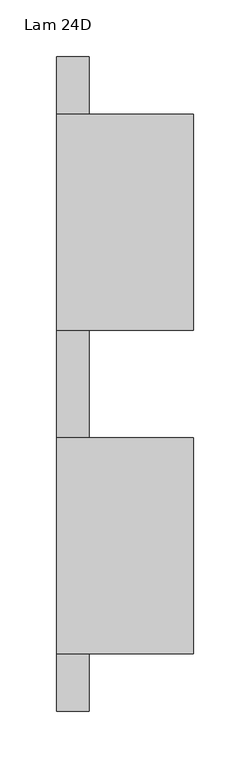
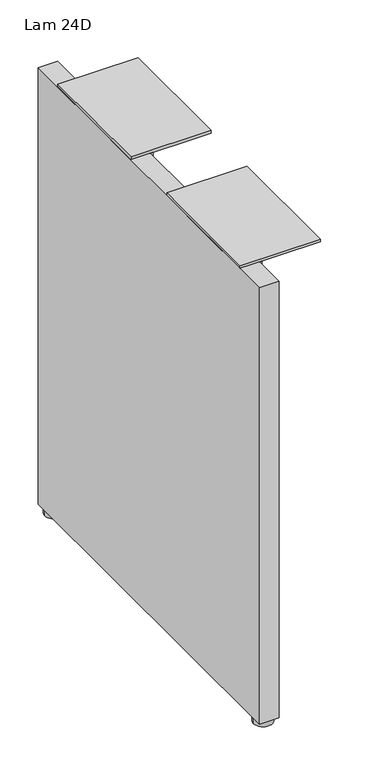
"""IFC4 building model written with IfcOpenShell, lengths in millimetres: furniture geometry, Lam 24D."""

import ifcopenshell
import ifcopenshell.guid

model = None  # the IFC model being written
_history = None  # IfcOwnerHistory: only IFC2X3 demands one
_inside = {}  # id of a spatial element -> (the spatial element, [elements in it])
_under = {}  # id of a project, library or spatial element -> (it, [spatial elements below it])
_declared = {}  # id of a project -> (the project, [libraries it declares])
_typed = {}  # id of a type object -> (the type object, [elements of that type])
_made_of = {}  # id of a material, layer set ... -> (it, [elements and type objects made of it])


def new_model(schema):
    """Start an empty IFC model of exactly this schema.

    Asked for "IFC4X3", IfcOpenShell would pick the latest addendum, in which some entities
    have other attributes; the version numbers below select the first issue.
    IFC2X3 requires an IfcOwnerHistory on every rooted entity: one is made here for all.
    """
    global model, _history
    if schema == "IFC4X3":
        model = ifcopenshell.file(schema_version=(4, 3, 0, 0))
    else:
        model = ifcopenshell.file(schema=schema)
    _inside.clear()
    _under.clear()
    _declared.clear()
    _typed.clear()
    _made_of.clear()
    _history = None
    if model.schema == "IFC2X3":
        org = make("IfcOrganization", Name="unknown")
        user = make(
            "IfcPersonAndOrganization",
            ThePerson=make("IfcPerson", FamilyName="unknown"),
            TheOrganization=org,
        )
        app = make(
            "IfcApplication",
            ApplicationDeveloper=org,
            Version="unknown",
            ApplicationFullName="unknown",
            ApplicationIdentifier="unknown",
        )
        _history = make(
            "IfcOwnerHistory",
            OwningUser=user,
            OwningApplication=app,
            ChangeAction="ADDED",
            CreationDate=0,
        )
    return model


def make(cls, **values):
    """One entity of the class cls with the attributes given. An attribute that is None is left unset."""
    return model.create_entity(
        cls, **{name: value for name, value in values.items() if value is not None}
    )


def rooted(cls, **values):
    """An entity with a GlobalId (a new one), such as an element, a storey or a relation."""
    return make(cls, GlobalId=ifcopenshell.guid.new(), OwnerHistory=_history, **values)


def si_unit(unit_type, name, prefix=None):
    """IfcSIUnit, for example si_unit("LENGTHUNIT", "METRE", prefix="MILLI")."""
    return make("IfcSIUnit", UnitType=unit_type, Prefix=prefix, Name=name)


def assignment(units):
    """IfcUnitAssignment: the units of a project."""
    return None if units is None else make("IfcUnitAssignment", Units=units)


def point(xyz):
    """IfcCartesianPoint."""
    return None if xyz is None else make("IfcCartesianPoint", Coordinates=xyz)


def direction(xyz):
    """IfcDirection."""
    return None if xyz is None else make("IfcDirection", DirectionRatios=xyz)


def frame(location, z_axis=None, x_axis=None):
    """IfcAxis2Placement3D, a coordinate frame: its origin and axes. An axis left out is left unset."""
    return make(
        "IfcAxis2Placement3D",
        Location=point(location),
        Axis=direction(z_axis),
        RefDirection=direction(x_axis),
    )


def origin():
    """The frame at (0, 0, 0) with its axes left unset."""
    return frame((0.0, 0.0, 0.0))


def place(relative_to, where):
    """IfcLocalPlacement: puts the frame where relative to a parent placement (None: the world)."""
    return make(
        "IfcLocalPlacement", PlacementRelTo=relative_to, RelativePlacement=where
    )


def context(
    kind, dimensions, precision=None, world=None, true_north=None, identifier=None
):
    """IfcGeometricRepresentationContext, for example the 3D "Model" context."""
    return make(
        "IfcGeometricRepresentationContext",
        ContextIdentifier=identifier,
        ContextType=kind,
        CoordinateSpaceDimension=dimensions,
        Precision=precision,
        WorldCoordinateSystem=world,
        TrueNorth=true_north,
    )


def project(units=None, contexts=None):
    """IfcProject with its units and contexts."""
    return rooted(
        "IfcProject",
        Name="project",
        RepresentationContexts=contexts,
        UnitsInContext=assignment(units),
    )


def spatial(cls, under=None, at=None, **own):
    """A site, building, storey or space (cls), placed at a placement, below another one or the project."""
    s = rooted(cls, ObjectPlacement=at, **own)
    if under is not None:
        _under.setdefault(under.id(), (under, []))[1].append(s)
    return s


def polyline(points):
    """IfcPolyline through the points."""
    return make("IfcPolyline", Points=[point(p) for p in points])


def circle_curve(where, radius):
    """IfcCircle in the frame where."""
    return make("IfcCircle", Position=where, Radius=radius)


def outline(outer, holes=None, kind="AREA"):
    """IfcArbitraryClosedProfileDef: a profile drawn as a closed curve; with holes, ...WithVoids."""
    if holes is None:
        return make("IfcArbitraryClosedProfileDef", ProfileType=kind, OuterCurve=outer)
    return make(
        "IfcArbitraryProfileDefWithVoids",
        ProfileType=kind,
        OuterCurve=outer,
        InnerCurves=holes,
    )


def extrude(swept, where, along, depth):
    """IfcExtrudedAreaSolid: the profile swept, set in the frame where, extruded along a direction by depth."""
    return make(
        "IfcExtrudedAreaSolid",
        SweptArea=swept,
        Position=where,
        ExtrudedDirection=direction(along),
        Depth=depth,
    )


def shape(context_of_items, identifier, shape_type, items):
    """IfcShapeRepresentation: the items that make up one representation, for example the "Body"."""
    return make(
        "IfcShapeRepresentation",
        ContextOfItems=context_of_items,
        RepresentationIdentifier=identifier,
        RepresentationType=shape_type,
        Items=items,
    )


def source(mapping_origin, context_of_items, identifier, shape_type, items):
    """IfcRepresentationMap: a shape defined once, which mapped items show again and again."""
    return make(
        "IfcRepresentationMap",
        MappingOrigin=mapping_origin,
        MappedRepresentation=shape(context_of_items, identifier, shape_type, items),
    )


def transform(
    local_origin,
    x_axis=None,
    y_axis=None,
    z_axis=None,
    scale=None,
    scale2=None,
    scale3=None,
    uniform=True,
):
    """IfcCartesianTransformationOperator3D, or its non-uniform kind. x_axis, y_axis, z_axis: its Axis1, 2, 3."""
    if uniform:
        return make(
            "IfcCartesianTransformationOperator3D",
            Axis1=direction(x_axis),
            Axis2=direction(y_axis),
            LocalOrigin=point(local_origin),
            Scale=scale,
            Axis3=direction(z_axis),
        )
    return make(
        "IfcCartesianTransformationOperator3DnonUniform",
        Axis1=direction(x_axis),
        Axis2=direction(y_axis),
        LocalOrigin=point(local_origin),
        Scale=scale,
        Axis3=direction(z_axis),
        Scale2=scale2,
        Scale3=scale3,
    )


def mapped(mapping_source, mapping_target):
    """IfcMappedItem: shows the shape of a source again, moved by a transform."""
    return make(
        "IfcMappedItem", MappingSource=mapping_source, MappingTarget=mapping_target
    )


def made_of(thing, what):
    """Note that an element or type object is made of a material, layer set ...; save() writes the relation."""
    if what is not None:
        _made_of.setdefault(what.id(), (what, []))[1].append(thing)
    return thing


def element(
    cls,
    number,
    at=None,
    inside=None,
    cuts=None,
    type_object=None,
    material=None,
    context=None,
    identifier="Body",
    shape_type=None,
    held_by="IfcProductDefinitionShape",
    body=None,
    shapes=None,
    **own,
):
    """One element of the class cls, such as IfcWall. Its Tag is "e" and its number.

    at: its placement. inside: the storey or other place that contains it. cuts: it is an
    opening in that element (IfcRelVoidsElement). A single representation is given by context,
    identifier, shape_type and body (its items); several are given by shapes. held_by: the class
    of the entity that holds the representations. save() writes the other relations.
    """
    e = rooted(cls, Tag="e%d" % number, ObjectPlacement=at, **own)
    if body is not None:
        shapes = [shape(context, identifier, shape_type, body)]
    if shapes is not None:
        e.Representation = make(held_by, Representations=shapes)
    if inside is not None:
        _inside.setdefault(inside.id(), (inside, []))[1].append(e)
    if cuts is not None:
        rooted(
            "IfcRelVoidsElement", RelatingBuildingElement=cuts, RelatedOpeningElement=e
        )
    if type_object is not None:
        _typed.setdefault(type_object.id(), (type_object, []))[1].append(e)
    return made_of(e, material)


def aggregate(whole, parts):
    """IfcRelAggregates: a whole, such as a stair, and the parts it consists of."""
    return rooted("IfcRelAggregates", RelatingObject=whole, RelatedObjects=parts)


def save(model, path):
    """Write the relations noted so far, then the file.

    IfcRelAggregates (storeys below a building ...), IfcRelContainedInSpatialStructure (elements
    in a storey), IfcRelDefinesByType, IfcRelAssociatesMaterial and IfcRelDeclares: one each for
    every whole, place, type object, material and project.
    """
    for whole, parts in _under.values():
        aggregate(whole, parts)
    for where, things in _inside.values():
        rooted(
            "IfcRelContainedInSpatialStructure",
            RelatedElements=things,
            RelatingStructure=where,
        )
    for kind, things in _typed.values():
        rooted("IfcRelDefinesByType", RelatedObjects=things, RelatingType=kind)
    for what, things in _made_of.values():
        rooted("IfcRelAssociatesMaterial", RelatedObjects=things, RelatingMaterial=what)
    for by, libraries in _declared.values():
        rooted("IfcRelDeclares", RelatingContext=by, RelatedDefinitions=libraries)
    model.write(path)


def plane_surface(at):
    """IfcPlane: the flat surface through the origin of the frame at, square to its z axis."""
    return make("IfcPlane", Position=at)


def cylinder_surface(at, radius):
    """IfcCylindricalSurface: all points at the distance radius from the z axis of the frame at."""
    return make("IfcCylindricalSurface", Position=at, Radius=radius)


def advanced_brep(points, edges, surfaces, faces):
    """IfcAdvancedBrep: a solid bounded by faces that lie on surfaces and meet in shared edges.

    An edge is (start, end): straight between two places in points (the first is 0);
    or (start, end, curve); or (start, end, curve, False) where it runs against its curve.
    A face is (place in surfaces, loops), or (place, loops, False) where it looks against
    its surface's normal. A loop lists edges by number (the first is 1), with a minus sign
    where the edge is run from its end to its start. The first loop is the outer one.
    """
    corners = [point(p) for p in points]
    vertices = [make("IfcVertexPoint", VertexGeometry=c) for c in corners]
    made = []
    for start, end, *more in edges:
        made.append(
            make(
                "IfcEdgeCurve",
                EdgeStart=vertices[start],
                EdgeEnd=vertices[end],
                EdgeGeometry=more[0] if more else make("IfcPolyline", Points=[corners[start], corners[end]]),
                SameSense=more[1] if len(more) > 1 else True,
            )
        )
    hull = []
    for where, loops, *sense in faces:
        bounds = []
        for j, loop in enumerate(loops):
            ring = [make("IfcOrientedEdge", EdgeElement=made[abs(k) - 1], Orientation=k > 0) for k in loop]
            bounds.append(
                make(
                    "IfcFaceOuterBound" if j == 0 else "IfcFaceBound",
                    Bound=make("IfcEdgeLoop", EdgeList=ring),
                    Orientation=True,
                )
            )
        hull.append(make("IfcAdvancedFace", Bounds=bounds, FaceSurface=surfaces[where], SameSense=sense[0] if sense else True))
    return make("IfcAdvancedBrep", Outer=make("IfcClosedShell", CfsFaces=hull))


def lam_24d_4e7c7da3(model_context):
    return source(origin(), model_context, "Body", "SolidModel", [
        extrude(outline(polyline([(-263.8239799, 658.2156222), (-263.8239799, 702.6656222), (-73.3239799, 702.6656222), (-73.3239799, 658.2156222), (-100.3114799, 631.2281222), (-236.8364799, 631.2281222), (-263.8239799, 658.2156222)])), frame((-733.144401, 0.0, 0.0), z_axis=(1.0, 0.0, 0.0), x_axis=(0.0, 1.0, 0.0)), (0.0, 0.0, 1.0), 4.318),
        extrude(outline(polyline([(21.1640201, 702.6656222), (211.6640201, 702.6656222), (211.6640201, 658.2156222), (184.6765201, 631.2281222), (48.1515201, 631.2281222), (21.1640201, 658.2156222), (21.1640201, 702.6656222)])), frame((-733.144401, 0.0, 0.0), z_axis=(1.0, 0.0, 0.0), x_axis=(0.0, 1.0, 0.0)), (0.0, 0.0, 1.0), 4.318),
        extrude(outline(polyline([(-761.998801, -314.6239799), (-761.998801, 262.4640201), (-733.144401, 262.4640201), (-733.144401, -314.6239799), (-761.998801, -314.6239799)])), frame((0.0, 0.0, 8.6614), z_axis=(0.0, 0.0, 1.0), x_axis=(1.0, 0.0, 0.0)), (0.0, 0.0, 1.0), 694.0042222),
        advanced_brep(
        [(-733.284101, 246.5890201, 0.0), (-761.859101, 246.5890201, 0.0), (-747.571601, 246.5890201, 0.0), (-733.284101, 246.5890201, 7.874), (-761.859101, 246.5890201, 7.874), (-742.809101, 246.5890201, 7.874), (-752.334101, 246.5890201, 7.874), (-742.809101, 246.5890201, 8.6614), (-752.334101, 246.5890201, 8.6614), (-747.571601, 246.5890201, 8.6614)],
        [
            (0, 1, circle_curve(frame((-747.571601, 246.5890201, 0.0), z_axis=(0.0, 0.0, -1.0), x_axis=(-1.0, 0.0, 0.0)), 14.2875)),
            (1, 2),
            (2, 0),
            (1, 0, circle_curve(frame((-747.571601, 246.5890201, 0.0), z_axis=(0.0, 0.0, -1.0), x_axis=(-1.0, 0.0, 0.0)), 14.2875)),
            (3, 4, circle_curve(frame((-747.571601, 246.5890201, 7.874), z_axis=(0.0, 0.0, -1.0), x_axis=(-1.0, 0.0, 0.0)), 14.2875)),
            (4, 1),
            (0, 3),
            (4, 3, circle_curve(frame((-747.571601, 246.5890201, 7.874), z_axis=(0.0, 0.0, -1.0), x_axis=(-1.0, 0.0, 0.0)), 14.2875)),
            (5, 6, circle_curve(frame((-747.571601, 246.5890201, 7.874), z_axis=(0.0, 0.0, -1.0), x_axis=(-1.0, 0.0, 0.0)), 4.7625)),
            (6, 4),
            (3, 5),
            (6, 5, circle_curve(frame((-747.571601, 246.5890201, 7.874), z_axis=(0.0, 0.0, -1.0), x_axis=(-1.0, 0.0, 0.0)), 4.7625)),
            (7, 8, circle_curve(frame((-747.571601, 246.5890201, 8.6614), z_axis=(0.0, 0.0, -1.0), x_axis=(-1.0, 0.0, 0.0)), 4.7625)),
            (8, 6),
            (5, 7),
            (8, 7, circle_curve(frame((-747.571601, 246.5890201, 8.6614), z_axis=(0.0, 0.0, -1.0), x_axis=(-1.0, 0.0, 0.0)), 4.7625)),
            (9, 8),
            (7, 9),
        ],
        [
            plane_surface(frame((-747.571601, 246.5890201, 0.0), z_axis=(0.0, 0.0, -1.0), x_axis=(-1.0, 0.0, 0.0))),
            cylinder_surface(frame((-747.571601, 246.5890201, -2.6032322), z_axis=(0.0, 0.0, 1.0), x_axis=(-1.0, 0.0, 0.0)), 14.2875),
            plane_surface(frame((-747.571601, 246.5890201, 7.874), z_axis=(0.0, 0.0, 1.0), x_axis=(-1.0, 0.0, 0.0))),
            cylinder_surface(frame((-747.571601, 246.5890201, -2.6032322), z_axis=(0.0, 0.0, 1.0), x_axis=(-1.0, 0.0, 0.0)), 4.7625),
            plane_surface(frame((-747.571601, 246.5890201, 8.6614), z_axis=(0.0, 0.0, 1.0), x_axis=(-1.0, 0.0, 0.0))),
        ],
        [
            (0, [[1, 2, 3]]),
            (0, [[4, -3, -2]]),
            (1, [[5, 6, -1, 7]]),
            (1, [[8, -7, -4, -6]]),
            (2, [[9, 10, -5, 11]]),
            (2, [[12, -11, -8, -10]]),
            (3, [[13, 14, -9, 15]]),
            (3, [[16, -15, -12, -14]]),
            (4, [[17, -13, 18]]),
            (4, [[-18, -16, -17]]),
        ],
    ),
        extrude(outline(polyline([(-641.348801, -73.3239799), (-641.348801, -263.8239799), (-761.998801, -263.8239799), (-761.998801, -73.3239799), (-641.348801, -73.3239799)])), frame((0.0, 0.0, 702.6656222), z_axis=(0.0, 0.0, 1.0), x_axis=(1.0, 0.0, 0.0)), (0.0, 0.0, 1.0), 4.3434),
        extrude(outline(polyline([(-641.348801, 211.6640201), (-641.348801, 21.1640201), (-761.998801, 21.1640201), (-761.998801, 211.6640201), (-641.348801, 211.6640201)])), frame((0.0, 0.0, 702.6656222), z_axis=(0.0, 0.0, 1.0), x_axis=(1.0, 0.0, 0.0)), (0.0, 0.0, 1.0), 4.3434),
        advanced_brep(
        [(-733.284101, -298.7489799, 0.0), (-761.859101, -298.7489799, 0.0), (-747.571601, -298.7489799, 0.0), (-733.284101, -298.7489799, 7.874), (-761.859101, -298.7489799, 7.874), (-742.809101, -298.7489799, 7.874), (-752.334101, -298.7489799, 7.874), (-742.809101, -298.7489799, 8.6614), (-752.334101, -298.7489799, 8.6614), (-747.571601, -298.7489799, 8.6614)],
        [
            (0, 1, circle_curve(frame((-747.571601, -298.7489799, 0.0), z_axis=(0.0, 0.0, -1.0), x_axis=(-1.0, 0.0, 0.0)), 14.2875)),
            (1, 2),
            (2, 0),
            (1, 0, circle_curve(frame((-747.571601, -298.7489799, 0.0), z_axis=(0.0, 0.0, -1.0), x_axis=(-1.0, 0.0, 0.0)), 14.2875)),
            (3, 4, circle_curve(frame((-747.571601, -298.7489799, 7.874), z_axis=(0.0, 0.0, -1.0), x_axis=(-1.0, 0.0, 0.0)), 14.2875)),
            (4, 1),
            (0, 3),
            (4, 3, circle_curve(frame((-747.571601, -298.7489799, 7.874), z_axis=(0.0, 0.0, -1.0), x_axis=(-1.0, 0.0, 0.0)), 14.2875)),
            (5, 6, circle_curve(frame((-747.571601, -298.7489799, 7.874), z_axis=(0.0, 0.0, -1.0), x_axis=(-1.0, 0.0, 0.0)), 4.7625)),
            (6, 4),
            (3, 5),
            (6, 5, circle_curve(frame((-747.571601, -298.7489799, 7.874), z_axis=(0.0, 0.0, -1.0), x_axis=(-1.0, 0.0, 0.0)), 4.7625)),
            (7, 8, circle_curve(frame((-747.571601, -298.7489799, 8.6614), z_axis=(0.0, 0.0, -1.0), x_axis=(-1.0, 0.0, 0.0)), 4.7625)),
            (8, 6),
            (5, 7),
            (8, 7, circle_curve(frame((-747.571601, -298.7489799, 8.6614), z_axis=(0.0, 0.0, -1.0), x_axis=(-1.0, 0.0, 0.0)), 4.7625)),
            (9, 8),
            (7, 9),
        ],
        [
            plane_surface(frame((-747.571601, -298.7489799, 0.0), z_axis=(0.0, 0.0, -1.0), x_axis=(-1.0, 0.0, 0.0))),
            cylinder_surface(frame((-747.571601, -298.7489799, -2.6032322), z_axis=(0.0, 0.0, 1.0), x_axis=(-1.0, 0.0, 0.0)), 14.2875),
            plane_surface(frame((-747.571601, -298.7489799, 7.874), z_axis=(0.0, 0.0, 1.0), x_axis=(-1.0, 0.0, 0.0))),
            cylinder_surface(frame((-747.571601, -298.7489799, -2.6032322), z_axis=(0.0, 0.0, 1.0), x_axis=(-1.0, 0.0, 0.0)), 4.7625),
            plane_surface(frame((-747.571601, -298.7489799, 8.6614), z_axis=(0.0, 0.0, 1.0), x_axis=(-1.0, 0.0, 0.0))),
        ],
        [
            (0, [[1, 2, 3]]),
            (0, [[4, -3, -2]]),
            (1, [[5, 6, -1, 7]]),
            (1, [[8, -7, -4, -6]]),
            (2, [[9, 10, -5, 11]]),
            (2, [[12, -11, -8, -10]]),
            (3, [[13, 14, -9, 15]]),
            (3, [[16, -15, -12, -14]]),
            (4, [[17, -13, 18]]),
            (4, [[-18, -16, -17]]),
        ],
    ),
    ])


if __name__ == "__main__":
    model = new_model("IFC4")
    model_context = context("Model", 3, world=origin())
    ifc_project = project(units=[si_unit("LENGTHUNIT", "METRE", prefix="MILLI")], contexts=[model_context])
    site = spatial("IfcSite", under=ifc_project)
    building = spatial("IfcBuilding", under=site)
    placement = place(None, origin())
    lam_24d_shape = lam_24d_4e7c7da3(model_context)
    element("IfcFurniture", 1, ObjectType="Lam 24D", at=placement, inside=building, context=model_context, shape_type="MappedRepresentation", body=[
        mapped(lam_24d_shape, transform((0.0, 0.0, 0.0), x_axis=(1.0, 0.0, 0.0), y_axis=(0.0, 1.0, 0.0), z_axis=(0.0, 0.0, 1.0))),
    ])
    save(model, "model.ifc")
